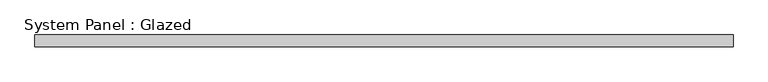
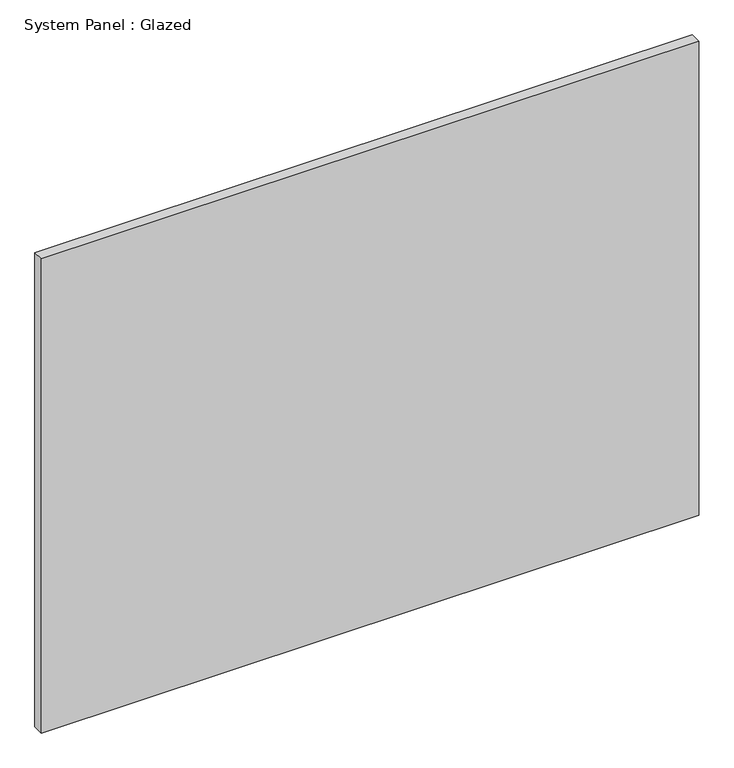
"""IFC4 building model written with IfcOpenShell, lengths in millimetres: plate geometry, System Panel : Glazed."""

from ifc_helpers import new_model, si_unit, origin, origin_with_axes, place, context, project, spatial, polyline, outline, extrude, source, transform, mapped, element, save


def system_panel_glazed_03420cd7(model_context):
    return source(origin(), model_context, "Body", "SweptSolid", [
        extrude(outline(polyline([(749.5245515, -12.7), (-749.5245515, -12.7), (-749.5245515, 12.7), (749.5245515, 12.7), (749.5245515, -12.7)])), origin_with_axes(), (0.0, 0.0, 1.0), 1143.0),
    ])


if __name__ == "__main__":
    model = new_model("IFC4")
    model_context = context("Model", 3, world=origin())
    ifc_project = project(units=[si_unit("LENGTHUNIT", "METRE", prefix="MILLI")], contexts=[model_context])
    site = spatial("IfcSite", under=ifc_project)
    building = spatial("IfcBuilding", under=site)
    placement = place(None, origin())
    system_panel_glazed_shape = system_panel_glazed_03420cd7(model_context)
    element("IfcPlate", 1, ObjectType="System Panel : Glazed", at=placement, inside=building, context=model_context, shape_type="MappedRepresentation", body=[
        mapped(system_panel_glazed_shape, transform((0.0, 0.0, 0.0), x_axis=(1.0, 0.0, 0.0), y_axis=(0.0, 1.0, 0.0), z_axis=(0.0, 0.0, 1.0))),
    ])
    save(model, "model.ifc")
